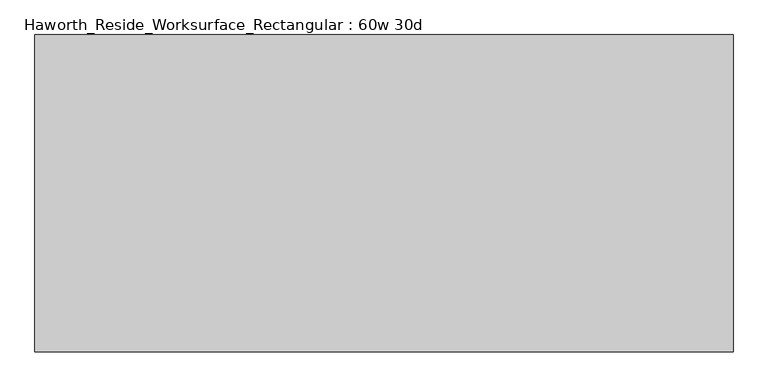
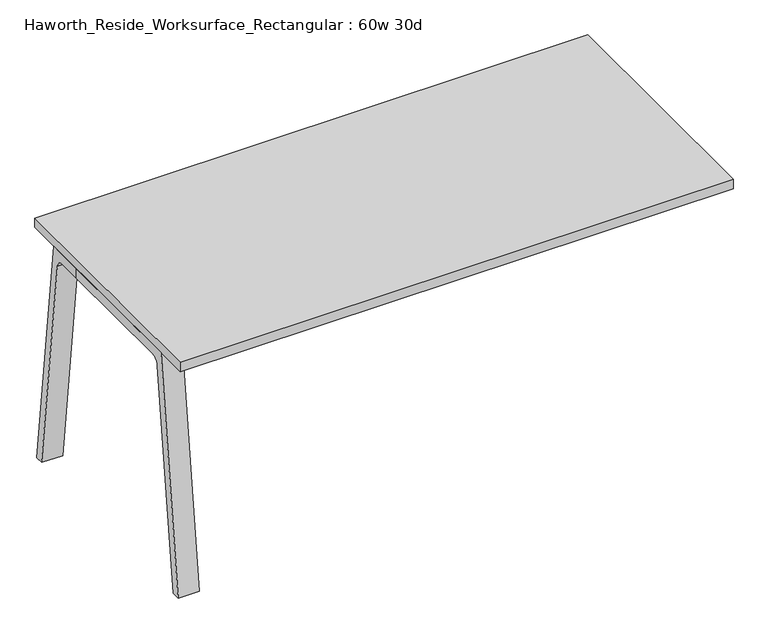
"""IFC4 building model written with IfcOpenShell, lengths in millimetres: furniture geometry, Haworth_Reside_Worksurface_Rectangular : 60w 30d."""

from ifc_helpers import new_model, si_unit, point, frame, frame_2d, origin, place, context, project, spatial, polyline, circle_curve, trimmed, segment, composite_curve, outline, extrude, source, transform, mapped, element, save


def haworth_reside_worksurface_rectangular_60w_30d_65a0e3cd(model_context):
    return source(origin(), model_context, "Body", "SweptSolid", [
        extrude(outline(composite_curve([segment(polyline([(-371.475, 0.0), (-281.6166539, 731.8375), (162.8833461, 731.8375), (162.8833461, 701.675), (-237.2573719, 701.675)]), True, "CONTINUOUS"), segment(trimmed(circle_curve(frame_2d((-237.2573719, 676.275)), 25.4), [point((-237.2573719, 701.675))], [point((-262.4680442, 679.3704813))], True, "CARTESIAN"), True, "CONTINUOUS"), segment(polyline([(-262.4680442, 679.3704813), (-345.8842504, 0.0), (-371.475, 0.0)]), True, "CONTINUOUS")], self_intersect=False)), frame((-838.2, 0.0, 0.0), z_axis=(1.0, 0.0, 0.0), x_axis=(0.0, 1.0, 0.0)), (0.0, 0.0, 1.0), 63.5),
        extrude(outline(composite_curve([segment(polyline([(281.6166539, 731.8375), (371.475, 0.0), (345.8842504, 0.0), (262.4680442, 679.3704813)]), True, "CONTINUOUS"), segment(trimmed(circle_curve(frame_2d((237.2573719, 676.275)), 25.4), [point((262.4680442, 679.3704813))], [point((237.2573719, 701.675))], True, "CARTESIAN"), True, "CONTINUOUS"), segment(polyline([(237.2573719, 701.675), (-237.2573719, 701.675)]), True, "CONTINUOUS"), segment(trimmed(circle_curve(frame_2d((-237.2573719, 676.275)), 25.4), [point((-237.2573719, 701.675))], [point((-262.4680442, 679.3704813))], True, "CARTESIAN"), True, "CONTINUOUS"), segment(polyline([(-262.4680442, 679.3704813), (-345.8842504, 0.0), (-371.475, 0.0), (-281.6166539, 731.8375), (281.6166539, 731.8375)]), True, "CONTINUOUS")], self_intersect=False)), frame((-838.2, 0.0, 0.0), z_axis=(1.0, 0.0, 0.0), x_axis=(0.0, 1.0, 0.0)), (0.0, 0.0, 1.0), 63.5),
        extrude(outline(polyline([(838.2, 381.0), (838.2, -381.0), (-838.2, -381.0), (-838.2, 381.0), (838.2, 381.0)])), frame((0.0, 0.0, 731.8375), z_axis=(0.0, 0.0, 1.0), x_axis=(1.0, 0.0, 0.0)), (0.0, 0.0, 1.0), 30.1625),
    ])


if __name__ == "__main__":
    model = new_model("IFC4")
    model_context = context("Model", 3, world=origin())
    ifc_project = project(units=[si_unit("LENGTHUNIT", "METRE", prefix="MILLI")], contexts=[model_context])
    site = spatial("IfcSite", under=ifc_project)
    building = spatial("IfcBuilding", under=site)
    placement = place(None, origin())
    haworth_reside_worksurface_rectangular_60w_30d_shape = haworth_reside_worksurface_rectangular_60w_30d_65a0e3cd(model_context)
    element("IfcFurniture", 1, ObjectType="Haworth_Reside_Worksurface_Rectangular : 60w 30d", at=placement, inside=building, context=model_context, shape_type="MappedRepresentation", body=[
        mapped(haworth_reside_worksurface_rectangular_60w_30d_shape, transform((0.0, 0.0, 0.0), x_axis=(1.0, 0.0, 0.0), y_axis=(0.0, 1.0, 0.0), z_axis=(0.0, 0.0, 1.0))),
    ])
    save(model, "model.ifc")
